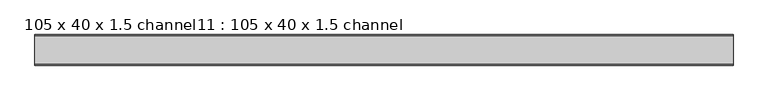
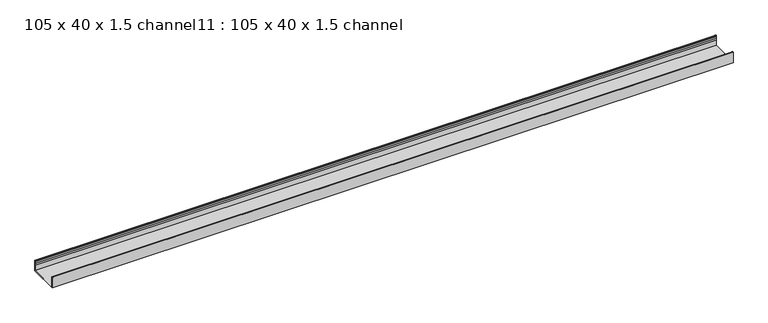
"""IFC4 building model written with IfcOpenShell, lengths in millimetres: proxy geometry, 105 x 40 x 1.5 channel11 : 105 x 40 x 1.5 channel."""

from ifc_helpers import new_model, si_unit, point, frame, frame_2d, origin, place, context, project, spatial, polyline, circle_curve, trimmed, segment, composite_curve, outline, extrude, source, transform, mapped, element, save


def proxy_105_x_40_x_1_5_channel11_105_x_40_x_1_5_channel_41335951(model_context):
    return source(origin(), model_context, "Body", "SweptSolid", [
        extrude(outline(composite_curve([segment(trimmed(circle_curve(frame_2d((834.0503008, 11.9517125)), 10.0), [point((843.6256088, 9.0684023))], [point((843.6256088, 14.8350227))], True, "CARTESIAN"), True, "CONTINUOUS"), segment(polyline([(843.6256088, 14.8350227), (843.0503008, 18.7517125)]), True, "CONTINUOUS"), segment(trimmed(circle_curve(frame_2d((844.2503008, 18.7517125)), 1.2), [point((843.0503008, 18.7517125))], [point((845.4503008, 18.7517125))], False, "CARTESIAN"), True, "CONTINUOUS"), segment(polyline([(845.4503008, 18.7517125), (845.4503008, -20.0482875), (740.1503008, -20.0482875), (740.1503008, 18.7517125)]), True, "CONTINUOUS"), segment(trimmed(circle_curve(frame_2d((741.3503008, 18.7517125)), 1.2), [point((740.1503008, 18.7517125))], [point((742.5503008, 18.7517125))], False, "CARTESIAN"), True, "CONTINUOUS"), segment(polyline([(742.5503008, 18.7517125), (741.9749929, 14.8350227)]), True, "CONTINUOUS"), segment(trimmed(circle_curve(frame_2d((751.5503008, 11.9517125)), 10.0), [point((741.9749929, 14.8350227))], [point((741.9749929, 9.0684023))], True, "CARTESIAN"), True, "CONTINUOUS"), segment(trimmed(circle_curve(frame_2d((732.5503008, 5.7254725)), 10.0), [point((741.9749929, 9.0684023))], [point((741.5503008, 1.3665735))], False, "CARTESIAN"), True, "CONTINUOUS"), segment(polyline([(741.5503008, 1.3665735), (741.5503008, -18.6482875), (844.0503008, -18.6482875), (844.0503008, 1.3665735)]), True, "CONTINUOUS"), segment(trimmed(circle_curve(frame_2d((853.0503008, 5.7254725)), 10.0), [point((844.0503008, 1.3665735))], [point((843.6256088, 9.0684023))], False, "CARTESIAN"), True, "CONTINUOUS")], self_intersect=False)), frame((6904.6309284, 0.0, 0.0), z_axis=(1.0, 0.0, 0.0), x_axis=(0.0, 1.0, 0.0)), (0.0, 0.0, 1.0), 2400.0),
    ])


if __name__ == "__main__":
    model = new_model("IFC4")
    model_context = context("Model", 3, world=origin())
    ifc_project = project(units=[si_unit("LENGTHUNIT", "METRE", prefix="MILLI")], contexts=[model_context])
    site = spatial("IfcSite", under=ifc_project)
    building = spatial("IfcBuilding", under=site)
    placement = place(None, origin())
    proxy_105_x_40_x_1_5_channel11_105_x_40_x_1_5_channel_shape = proxy_105_x_40_x_1_5_channel11_105_x_40_x_1_5_channel_41335951(model_context)
    element("IfcBuildingElementProxy", 1, Name="105 x 40 x 1.5 channel11 : 105 x 40 x 1.5 channel", ObjectType="105 x 40 x 1.5 channel11 : 105 x 40 x 1.5 channel", at=placement, inside=building, context=model_context, shape_type="MappedRepresentation", body=[
        mapped(proxy_105_x_40_x_1_5_channel11_105_x_40_x_1_5_channel_shape, transform((0.0, 0.0, 0.0), x_axis=(1.0, 0.0, 0.0), y_axis=(0.0, 1.0, 0.0), z_axis=(0.0, 0.0, 1.0))),
    ])
    save(model, "model.ifc")
